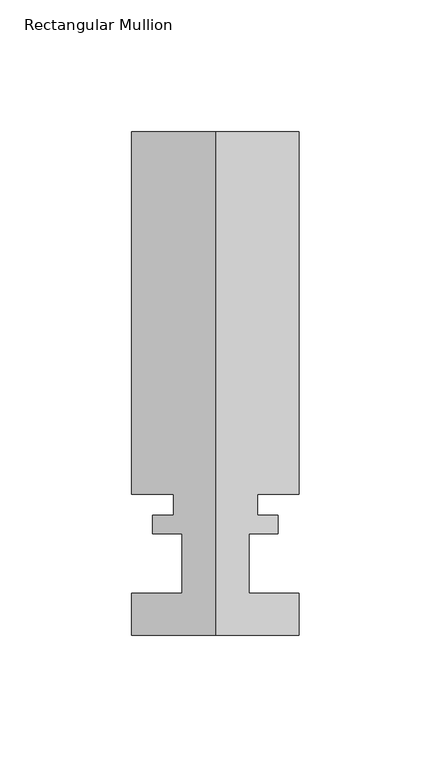
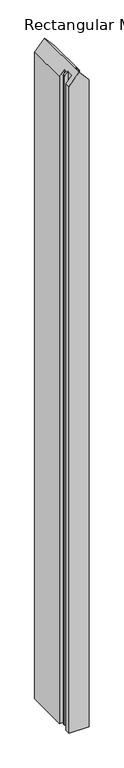
"""IFC4 building model written with IfcOpenShell, lengths in millimetres: member geometry, Rectangular Mullion."""

from ifc_helpers import new_model, si_unit, origin, place, context, project, spatial, faceted_brep, source, transform, mapped, element, save


def rectangular_mullion_d44cd14b(model_context):
    return source(origin(), model_context, "Body", "Brep", [
        faceted_brep([(-31.75, -0.0555625, -2394.6326892), (-31.75, 15.8194375, -2394.6326892), (-12.7, 15.8194375, -2394.6326892), (-12.7, 38.2984375, -2394.6326892), (-23.8252, 38.2984375, -2394.6326892), (-23.8252, 45.4612375, -2394.6326892), (-15.875, 45.4612375, -2394.6326892), (-15.875, 53.3606375, -2394.6326892), (-31.75, 53.3606375, -2394.6326892), (-31.75, 190.6984375, -2394.6326892), (31.75, 190.6984375, -2394.6326892), (31.75, 53.3606375, -2394.6326892), (15.875, 53.3606375, -2394.6326892), (15.875, 45.4612375, -2394.6326892), (23.8252, 45.4612375, -2394.6326892), (23.8252, 38.2984375, -2394.6326892), (12.7, 38.2984375, -2394.6326892), (12.7, 15.8194375, -2394.6326892), (31.75, 15.8194375, -2394.6326892), (31.75, -0.0555625, -2394.6326892), (31.75, -0.0555625, -206.8518957), (0.0, -0.0555625, -170.1901536), (-31.75, -0.0555625, -206.8518957), (31.75, 15.8194375, -206.8518957), (12.7, 15.8194375, -184.8548505), (12.7, 38.2984375, -184.8548505), (23.8252, 38.2984375, -197.7011249), (23.8252, 45.4612375, -197.7011249), (15.875, 45.4612375, -188.5210247), (15.875, 53.3606375, -188.5210247), (31.75, 53.3606375, -206.8518957), (31.75, 190.6984375, -206.8518957), (-31.75, 190.6984375, -206.8518957), (0.0, 190.6984375, -170.1901536), (-31.75, 53.3606375, -206.8518957), (-15.875, 53.3606375, -188.5210247), (-15.875, 45.4612375, -188.5210247), (-23.8252, 45.4612375, -197.7011249), (-23.8252, 38.2984375, -197.7011249), (-12.7, 38.2984375, -184.8548505), (-12.7, 15.8194375, -184.8548505), (-31.75, 15.8194375, -206.8518957)], [[[0, 1, 2, 3, 4, 5, 6, 7, 8, 9, 10, 11, 12, 13, 14, 15, 16, 17, 18, 19]], [[20, 21, 22, 0, 19]], [[23, 20, 19, 18]], [[24, 23, 18, 17]], [[25, 24, 17, 16]], [[26, 25, 16, 15]], [[27, 26, 15, 14]], [[28, 27, 14, 13]], [[29, 28, 13, 12]], [[30, 29, 12, 11]], [[31, 30, 11, 10]], [[32, 33, 31, 10, 9]], [[34, 32, 9, 8]], [[35, 34, 8, 7]], [[36, 35, 7, 6]], [[37, 36, 6, 5]], [[38, 37, 5, 4]], [[39, 38, 4, 3]], [[40, 39, 3, 2]], [[41, 40, 2, 1]], [[22, 41, 1, 0]], [[22, 21, 33, 32, 34, 35, 36, 37, 38, 39, 40, 41]], [[21, 20, 23, 24, 25, 26, 27, 28, 29, 30, 31, 33]]]),
    ])


if __name__ == "__main__":
    model = new_model("IFC4")
    model_context = context("Model", 3, world=origin())
    ifc_project = project(units=[si_unit("LENGTHUNIT", "METRE", prefix="MILLI")], contexts=[model_context])
    site = spatial("IfcSite", under=ifc_project)
    building = spatial("IfcBuilding", under=site)
    placement = place(None, origin())
    rectangular_mullion_shape = rectangular_mullion_d44cd14b(model_context)
    element("IfcMember", 1, ObjectType="Rectangular Mullion", at=placement, inside=building, context=model_context, shape_type="MappedRepresentation", body=[
        mapped(rectangular_mullion_shape, transform((0.0, 0.0, 0.0), x_axis=(1.0, 0.0, 0.0), y_axis=(0.0, 1.0, 0.0), z_axis=(0.0, 0.0, 1.0))),
    ])
    save(model, "model.ifc")
